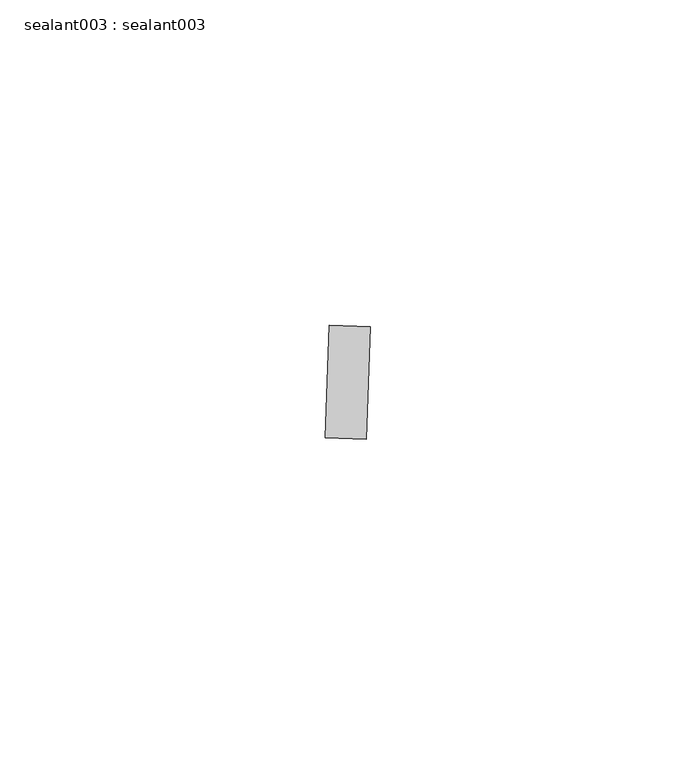
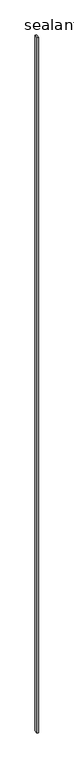
"""IFC4 building model written with IfcOpenShell, lengths in millimetres: proxy geometry, sealant003 : sealant003."""

import ifcopenshell
import ifcopenshell.guid

model = None  # the IFC model being written
_history = None  # IfcOwnerHistory: only IFC2X3 demands one
_inside = {}  # id of a spatial element -> (the spatial element, [elements in it])
_under = {}  # id of a project, library or spatial element -> (it, [spatial elements below it])
_declared = {}  # id of a project -> (the project, [libraries it declares])
_typed = {}  # id of a type object -> (the type object, [elements of that type])
_made_of = {}  # id of a material, layer set ... -> (it, [elements and type objects made of it])


def new_model(schema):
    """Start an empty IFC model of exactly this schema.

    Asked for "IFC4X3", IfcOpenShell would pick the latest addendum, in which some entities
    have other attributes; the version numbers below select the first issue.
    IFC2X3 requires an IfcOwnerHistory on every rooted entity: one is made here for all.
    """
    global model, _history
    if schema == "IFC4X3":
        model = ifcopenshell.file(schema_version=(4, 3, 0, 0))
    else:
        model = ifcopenshell.file(schema=schema)
    _inside.clear()
    _under.clear()
    _declared.clear()
    _typed.clear()
    _made_of.clear()
    _history = None
    if model.schema == "IFC2X3":
        org = make("IfcOrganization", Name="unknown")
        user = make(
            "IfcPersonAndOrganization",
            ThePerson=make("IfcPerson", FamilyName="unknown"),
            TheOrganization=org,
        )
        app = make(
            "IfcApplication",
            ApplicationDeveloper=org,
            Version="unknown",
            ApplicationFullName="unknown",
            ApplicationIdentifier="unknown",
        )
        _history = make(
            "IfcOwnerHistory",
            OwningUser=user,
            OwningApplication=app,
            ChangeAction="ADDED",
            CreationDate=0,
        )
    return model


def make(cls, **values):
    """One entity of the class cls with the attributes given. An attribute that is None is left unset."""
    return model.create_entity(
        cls, **{name: value for name, value in values.items() if value is not None}
    )


def rooted(cls, **values):
    """An entity with a GlobalId (a new one), such as an element, a storey or a relation."""
    return make(cls, GlobalId=ifcopenshell.guid.new(), OwnerHistory=_history, **values)


def si_unit(unit_type, name, prefix=None):
    """IfcSIUnit, for example si_unit("LENGTHUNIT", "METRE", prefix="MILLI")."""
    return make("IfcSIUnit", UnitType=unit_type, Prefix=prefix, Name=name)


def assignment(units):
    """IfcUnitAssignment: the units of a project."""
    return None if units is None else make("IfcUnitAssignment", Units=units)


def point(xyz):
    """IfcCartesianPoint."""
    return None if xyz is None else make("IfcCartesianPoint", Coordinates=xyz)


def direction(xyz):
    """IfcDirection."""
    return None if xyz is None else make("IfcDirection", DirectionRatios=xyz)


def frame(location, z_axis=None, x_axis=None):
    """IfcAxis2Placement3D, a coordinate frame: its origin and axes. An axis left out is left unset."""
    return make(
        "IfcAxis2Placement3D",
        Location=point(location),
        Axis=direction(z_axis),
        RefDirection=direction(x_axis),
    )


def origin():
    """The frame at (0, 0, 0) with its axes left unset."""
    return frame((0.0, 0.0, 0.0))


def place(relative_to, where):
    """IfcLocalPlacement: puts the frame where relative to a parent placement (None: the world)."""
    return make(
        "IfcLocalPlacement", PlacementRelTo=relative_to, RelativePlacement=where
    )


def context(
    kind, dimensions, precision=None, world=None, true_north=None, identifier=None
):
    """IfcGeometricRepresentationContext, for example the 3D "Model" context."""
    return make(
        "IfcGeometricRepresentationContext",
        ContextIdentifier=identifier,
        ContextType=kind,
        CoordinateSpaceDimension=dimensions,
        Precision=precision,
        WorldCoordinateSystem=world,
        TrueNorth=true_north,
    )


def project(units=None, contexts=None):
    """IfcProject with its units and contexts."""
    return rooted(
        "IfcProject",
        Name="project",
        RepresentationContexts=contexts,
        UnitsInContext=assignment(units),
    )


def spatial(cls, under=None, at=None, **own):
    """A site, building, storey or space (cls), placed at a placement, below another one or the project."""
    s = rooted(cls, ObjectPlacement=at, **own)
    if under is not None:
        _under.setdefault(under.id(), (under, []))[1].append(s)
    return s


def polyline(points):
    """IfcPolyline through the points."""
    return make("IfcPolyline", Points=[point(p) for p in points])


def outline(outer, holes=None, kind="AREA"):
    """IfcArbitraryClosedProfileDef: a profile drawn as a closed curve; with holes, ...WithVoids."""
    if holes is None:
        return make("IfcArbitraryClosedProfileDef", ProfileType=kind, OuterCurve=outer)
    return make(
        "IfcArbitraryProfileDefWithVoids",
        ProfileType=kind,
        OuterCurve=outer,
        InnerCurves=holes,
    )


def extrude(swept, where, along, depth):
    """IfcExtrudedAreaSolid: the profile swept, set in the frame where, extruded along a direction by depth."""
    return make(
        "IfcExtrudedAreaSolid",
        SweptArea=swept,
        Position=where,
        ExtrudedDirection=direction(along),
        Depth=depth,
    )


def shape(context_of_items, identifier, shape_type, items):
    """IfcShapeRepresentation: the items that make up one representation, for example the "Body"."""
    return make(
        "IfcShapeRepresentation",
        ContextOfItems=context_of_items,
        RepresentationIdentifier=identifier,
        RepresentationType=shape_type,
        Items=items,
    )


def source(mapping_origin, context_of_items, identifier, shape_type, items):
    """IfcRepresentationMap: a shape defined once, which mapped items show again and again."""
    return make(
        "IfcRepresentationMap",
        MappingOrigin=mapping_origin,
        MappedRepresentation=shape(context_of_items, identifier, shape_type, items),
    )


def transform(
    local_origin,
    x_axis=None,
    y_axis=None,
    z_axis=None,
    scale=None,
    scale2=None,
    scale3=None,
    uniform=True,
):
    """IfcCartesianTransformationOperator3D, or its non-uniform kind. x_axis, y_axis, z_axis: its Axis1, 2, 3."""
    if uniform:
        return make(
            "IfcCartesianTransformationOperator3D",
            Axis1=direction(x_axis),
            Axis2=direction(y_axis),
            LocalOrigin=point(local_origin),
            Scale=scale,
            Axis3=direction(z_axis),
        )
    return make(
        "IfcCartesianTransformationOperator3DnonUniform",
        Axis1=direction(x_axis),
        Axis2=direction(y_axis),
        LocalOrigin=point(local_origin),
        Scale=scale,
        Axis3=direction(z_axis),
        Scale2=scale2,
        Scale3=scale3,
    )


def mapped(mapping_source, mapping_target):
    """IfcMappedItem: shows the shape of a source again, moved by a transform."""
    return make(
        "IfcMappedItem", MappingSource=mapping_source, MappingTarget=mapping_target
    )


def made_of(thing, what):
    """Note that an element or type object is made of a material, layer set ...; save() writes the relation."""
    if what is not None:
        _made_of.setdefault(what.id(), (what, []))[1].append(thing)
    return thing


def element(
    cls,
    number,
    at=None,
    inside=None,
    cuts=None,
    type_object=None,
    material=None,
    context=None,
    identifier="Body",
    shape_type=None,
    held_by="IfcProductDefinitionShape",
    body=None,
    shapes=None,
    **own,
):
    """One element of the class cls, such as IfcWall. Its Tag is "e" and its number.

    at: its placement. inside: the storey or other place that contains it. cuts: it is an
    opening in that element (IfcRelVoidsElement). A single representation is given by context,
    identifier, shape_type and body (its items); several are given by shapes. held_by: the class
    of the entity that holds the representations. save() writes the other relations.
    """
    e = rooted(cls, Tag="e%d" % number, ObjectPlacement=at, **own)
    if body is not None:
        shapes = [shape(context, identifier, shape_type, body)]
    if shapes is not None:
        e.Representation = make(held_by, Representations=shapes)
    if inside is not None:
        _inside.setdefault(inside.id(), (inside, []))[1].append(e)
    if cuts is not None:
        rooted(
            "IfcRelVoidsElement", RelatingBuildingElement=cuts, RelatedOpeningElement=e
        )
    if type_object is not None:
        _typed.setdefault(type_object.id(), (type_object, []))[1].append(e)
    return made_of(e, material)


def aggregate(whole, parts):
    """IfcRelAggregates: a whole, such as a stair, and the parts it consists of."""
    return rooted("IfcRelAggregates", RelatingObject=whole, RelatedObjects=parts)


def save(model, path):
    """Write the relations noted so far, then the file.

    IfcRelAggregates (storeys below a building ...), IfcRelContainedInSpatialStructure (elements
    in a storey), IfcRelDefinesByType, IfcRelAssociatesMaterial and IfcRelDeclares: one each for
    every whole, place, type object, material and project.
    """
    for whole, parts in _under.values():
        aggregate(whole, parts)
    for where, things in _inside.values():
        rooted(
            "IfcRelContainedInSpatialStructure",
            RelatedElements=things,
            RelatingStructure=where,
        )
    for kind, things in _typed.values():
        rooted("IfcRelDefinesByType", RelatedObjects=things, RelatingType=kind)
    for what, things in _made_of.values():
        rooted("IfcRelAssociatesMaterial", RelatedObjects=things, RelatingMaterial=what)
    for by, libraries in _declared.values():
        rooted("IfcRelDeclares", RelatingContext=by, RelatedDefinitions=libraries)
    model.write(path)


def sealant003_sealant003_494e84cc(model_context):
    return source(origin(), model_context, "Body", "SweptSolid", [
        extrude(outline(polyline([(18027.5310686, -14664.9206977), (18028.1398948, -14647.5969732), (18034.4758866, -14647.8196458), (18033.8670604, -14665.1433702), (18027.5310686, -14664.9206977)])), frame((0.0, 0.0, 73.975708), z_axis=(0.0, 0.0, 1.0), x_axis=(1.0, 0.0, 0.0)), (0.0, 0.0, 1.0), 2959.11),
    ])


if __name__ == "__main__":
    model = new_model("IFC4")
    model_context = context("Model", 3, world=origin())
    ifc_project = project(units=[si_unit("LENGTHUNIT", "METRE", prefix="MILLI")], contexts=[model_context])
    site = spatial("IfcSite", under=ifc_project)
    building = spatial("IfcBuilding", under=site)
    placement = place(None, origin())
    sealant003_sealant003_shape = sealant003_sealant003_494e84cc(model_context)
    element("IfcBuildingElementProxy", 1, Name="sealant003 : sealant003", ObjectType="sealant003 : sealant003", at=placement, inside=building, context=model_context, shape_type="MappedRepresentation", body=[
        mapped(sealant003_sealant003_shape, transform((0.0, 0.0, 0.0), x_axis=(1.0, 0.0, 0.0), y_axis=(0.0, 1.0, 0.0), z_axis=(0.0, 0.0, 1.0))),
    ])
    save(model, "model.ifc")
